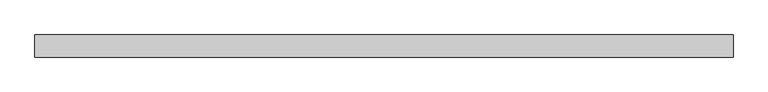
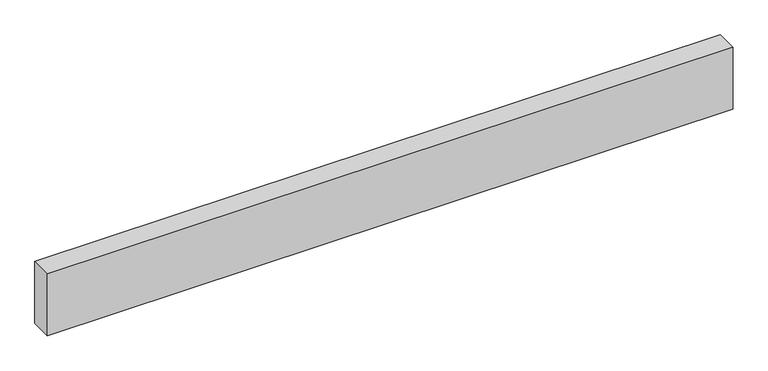
"""IFC4 building model written with IfcOpenShell, lengths in millimetres: proxy geometry."""

from ifc_helpers import new_model, si_unit, origin, origin_with_axes, place, context, project, spatial, polyline, outline, extrude, source, transform, mapped, element, save


def generic_models_2d71dffe(model_context):
    return source(origin(), model_context, "Body", "SweptSolid", [
        extrude(outline(polyline([(3154.9098582, 0.0), (3154.9098582, -100.0), (0.0, -100.0), (0.0, 0.0), (3154.9098582, 0.0)])), origin_with_axes(), (0.0, 0.0, 1.0), 300.0),
    ])


if __name__ == "__main__":
    model = new_model("IFC4")
    model_context = context("Model", 3, world=origin())
    ifc_project = project(units=[si_unit("LENGTHUNIT", "METRE", prefix="MILLI")], contexts=[model_context])
    site = spatial("IfcSite", under=ifc_project)
    building = spatial("IfcBuilding", under=site)
    placement = place(None, origin())
    generic_models_shape = generic_models_2d71dffe(model_context)
    element("IfcBuildingElementProxy", 1, Name="Generic Models", at=placement, inside=building, context=model_context, shape_type="MappedRepresentation", body=[
        mapped(generic_models_shape, transform((0.0, 0.0, 0.0), x_axis=(1.0, 0.0, 0.0), y_axis=(0.0, 1.0, 0.0), z_axis=(0.0, 0.0, 1.0))),
    ])
    save(model, "model.ifc")
